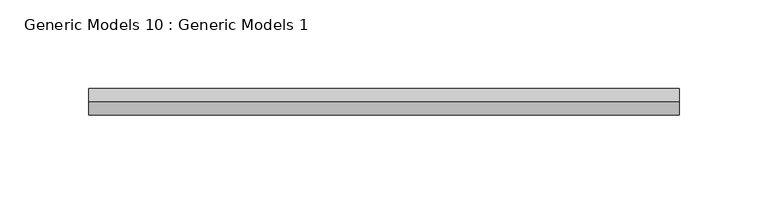
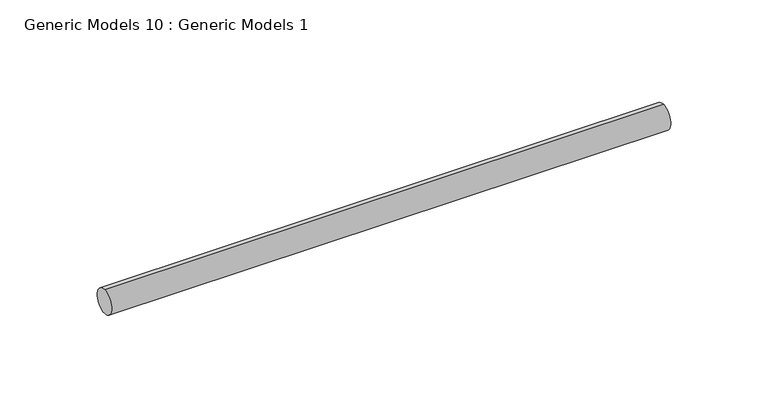
"""IFC4 building model written with IfcOpenShell, lengths in millimetres: proxy geometry, Generic Models 10 : Generic Models 1."""

from ifc_helpers import new_model, si_unit, point, frame, frame_2d, origin, place, context, project, spatial, circle_curve, trimmed, segment, composite_curve, outline, extrude, source, transform, mapped, element, save


def generic_models_10_generic_models_1_e4f67c87(model_context):
    return source(origin(), model_context, "Body", "SweptSolid", [
        extrude(outline(composite_curve([segment(trimmed(circle_curve(frame_2d((400.3057469, -818.1141294)), 7.5), [point((400.3057469, -825.6141294))], [point((400.3057469, -810.6141294))], False, "CARTESIAN"), True, "CONTINUOUS"), segment(trimmed(circle_curve(frame_2d((400.3057469, -818.1141294)), 7.5), [point((400.3057469, -810.6141294))], [point((400.3057469, -825.6141294))], False, "CARTESIAN"), True, "CONTINUOUS")], self_intersect=False)), frame((1701.0795255, 0.0, 0.0), z_axis=(1.0, 0.0, 0.0), x_axis=(0.0, 1.0, 0.0)), (0.0, 0.0, 1.0), 332.0),
    ])


if __name__ == "__main__":
    model = new_model("IFC4")
    model_context = context("Model", 3, world=origin())
    ifc_project = project(units=[si_unit("LENGTHUNIT", "METRE", prefix="MILLI")], contexts=[model_context])
    site = spatial("IfcSite", under=ifc_project)
    building = spatial("IfcBuilding", under=site)
    placement = place(None, origin())
    generic_models_10_generic_models_1_shape = generic_models_10_generic_models_1_e4f67c87(model_context)
    element("IfcBuildingElementProxy", 1, Name="Generic Models 10 : Generic Models 1", ObjectType="Generic Models 10 : Generic Models 1", at=placement, inside=building, context=model_context, shape_type="MappedRepresentation", body=[
        mapped(generic_models_10_generic_models_1_shape, transform((0.0, 0.0, 0.0), x_axis=(1.0, 0.0, 0.0), y_axis=(0.0, 1.0, 0.0), z_axis=(0.0, 0.0, 1.0))),
    ])
    save(model, "model.ifc")
